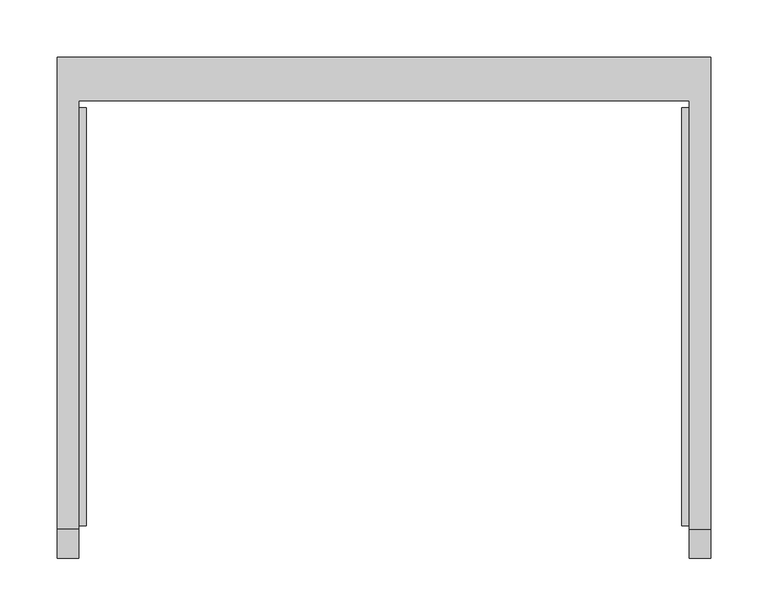
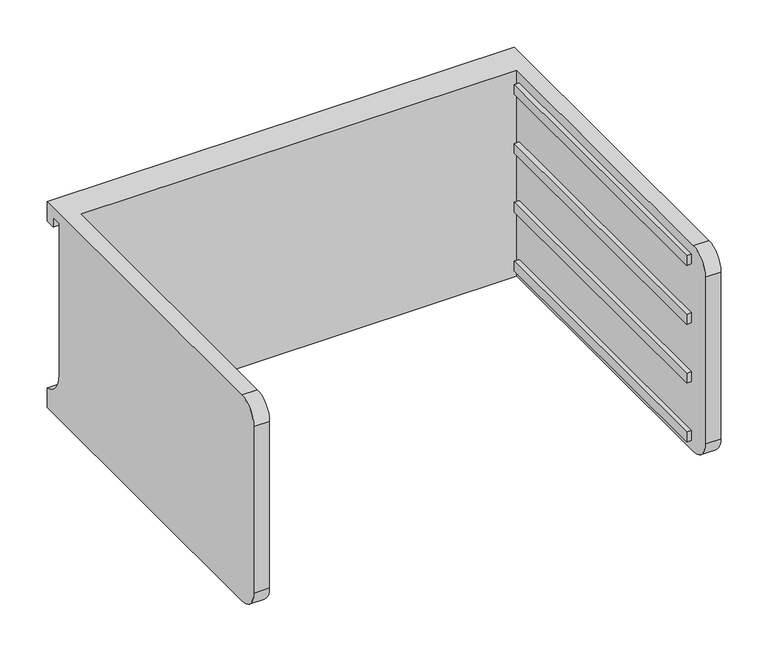
"""IFC4 building model written with IfcOpenShell, lengths in millimetres: furniture geometry."""

from ifc_helpers import new_model, si_unit, frame, origin, place, context, project, spatial, polyline, circle_curve, outline, extrude, source, transform, mapped, element, save
from ifc_brep_helpers import plane_surface, cylinder_surface, revolved_surface, advanced_brep


def furniture_9b316340(model_context):
    return source(origin(), model_context, "Body", "SolidModel", [
        advanced_brep(
        [(-171.7622951, -331.6523397, 791.57322), (-171.7622951, -357.0523397, 766.17322), (-171.7622951, -357.0523397, 550.27322), (-171.7622951, -331.6523397, 524.87322), (-171.7622951, 43.0421197, 524.87322), (-171.7622951, 43.0421197, 791.57322), (-190.8122951, -331.6523397, 524.87322), (-190.8122951, -357.0523397, 550.27322), (-190.8122951, -357.0523397, 766.17322), (-190.8122951, -331.6523397, 791.57322), (-190.8122951, 81.0976603, 791.57322), (-190.8122951, 81.0976603, 766.17322), (-190.8122951, 68.4421197, 766.17322), (-190.8122951, 68.4421197, 778.87322), (-190.8122951, 55.7421197, 778.87322), (-190.8122951, 55.7421197, 582.81824), (-190.8122951, 81.0976603, 550.27322), (-190.8122951, 81.0976603, 524.87322), (380.6877049, 81.0976603, 524.87322), (380.6877049, -331.6523397, 524.87322), (361.6377049, -331.6523397, 524.87322), (361.6377049, 43.0421197, 524.87322), (361.6377049, 43.0421197, 791.57322), (361.6377049, -331.6523397, 791.57322), (380.6877049, -331.6523397, 791.57322), (380.6877049, 81.0976603, 791.57322), (380.6877049, 81.0976603, 550.27322), (380.6877049, 55.7421197, 582.81824), (380.6877049, 55.7421197, 778.87322), (380.6877049, 68.4421197, 778.87322), (380.6877049, 68.4421197, 766.17322), (380.6877049, 81.0976603, 766.17322), (380.6877049, -357.0523397, 766.17322), (380.6877049, -357.0523397, 550.27322), (361.6377049, -357.0523397, 550.27322), (361.6377049, -357.0523397, 766.17322)],
        [
            (0, 1, circle_curve(frame((-171.7622951, -331.6523397, 766.17322), z_axis=(1.0, 0.0, 0.0), x_axis=(0.0, 0.0, 1.0)), 25.4)),
            (1, 2),
            (2, 3, circle_curve(frame((-171.7622951, -331.6523397, 550.27322), z_axis=(1.0, 0.0, 0.0), x_axis=(0.0, 0.0, 1.0)), 25.4)),
            (3, 4),
            (4, 5),
            (5, 0),
            (6, 7, circle_curve(frame((-190.8122951, -331.6523397, 550.27322), z_axis=(-1.0, 0.0, 0.0), x_axis=(0.0, 0.0, 1.0)), 25.4)),
            (7, 8),
            (8, 9, circle_curve(frame((-190.8122951, -331.6523397, 766.17322), z_axis=(-1.0, 0.0, 0.0), x_axis=(0.0, 0.0, 1.0)), 25.4)),
            (9, 10),
            (10, 11),
            (11, 12),
            (12, 13),
            (13, 14),
            (14, 15),
            (15, 16, circle_curve(frame((-190.8122951, 89.3064162, 582.81824), z_axis=(1.0, 0.0, 0.0), x_axis=(0.0, 0.0, 1.0)), 33.5642965)),
            (16, 17),
            (17, 6),
            (0, 9),
            (8, 1),
            (7, 2),
            (6, 3),
            (17, 18),
            (18, 19),
            (19, 20),
            (20, 21),
            (21, 4),
            (5, 22),
            (22, 23),
            (23, 24),
            (24, 25),
            (25, 10),
            (18, 26),
            (26, 27, circle_curve(frame((380.6877049, 89.3064162, 582.81824), z_axis=(-1.0, 0.0, 0.0), x_axis=(0.0, 0.0, 1.0)), 33.5642965)),
            (27, 28),
            (28, 29),
            (29, 30),
            (30, 31),
            (31, 25),
            (24, 32, circle_curve(frame((380.6877049, -331.6523397, 766.17322), z_axis=(1.0, 0.0, 0.0), x_axis=(0.0, 0.0, 1.0)), 25.4)),
            (32, 33),
            (33, 19, circle_curve(frame((380.6877049, -331.6523397, 550.27322), z_axis=(1.0, 0.0, 0.0), x_axis=(0.0, 0.0, 1.0)), 25.4)),
            (16, 26),
            (15, 27),
            (14, 28),
            (13, 29),
            (12, 30),
            (11, 31),
            (21, 22),
            (20, 34, circle_curve(frame((361.6377049, -331.6523397, 550.27322), z_axis=(-1.0, 0.0, 0.0), x_axis=(0.0, 0.0, 1.0)), 25.4)),
            (34, 35),
            (35, 23, circle_curve(frame((361.6377049, -331.6523397, 766.17322), z_axis=(-1.0, 0.0, 0.0), x_axis=(0.0, 0.0, 1.0)), 25.4)),
            (35, 32),
            (34, 33),
        ],
        [
            plane_surface(frame((-171.7622951, -331.6523397, 791.57322), z_axis=(1.0, 0.0, 0.0), x_axis=(0.0, -1.0, 0.0))),
            plane_surface(frame((-190.8122951, -331.6523397, 791.57322), z_axis=(-1.0, 0.0, 0.0), x_axis=(0.0, 1.0, 0.0))),
            cylinder_surface(frame((-190.8122951, -331.6523397, 766.17322), z_axis=(1.0, 0.0, 0.0), x_axis=(0.0, 0.0, 1.0)), 25.4),
            plane_surface(frame((-171.7622951, -357.0523397, 766.17322), z_axis=(0.0, -1.0, 0.0), x_axis=(-1.0, 0.0, 0.0))),
            cylinder_surface(frame((-190.8122951, -331.6523397, 550.27322), z_axis=(1.0, 0.0, 0.0), x_axis=(0.0, 0.0, 1.0)), 25.4),
            plane_surface(frame((-171.7622951, -331.6523397, 524.87322), z_axis=(0.0, 0.0, -1.0), x_axis=(-1.0, 0.0, 0.0))),
            plane_surface(frame((-171.7622951, 43.0421197, 791.57322), z_axis=(0.0, 0.0, 1.0), x_axis=(-1.0, 0.0, 0.0))),
            plane_surface(frame((380.6877049, 81.0976603, 550.27322), z_axis=(1.0, 0.0, 0.0), x_axis=(0.0, 0.0, 1.0))),
            plane_surface(frame((380.6877049, 81.0976603, 524.87322), z_axis=(0.0, 1.0, 0.0), x_axis=(-1.0, 0.0, 0.0))),
            revolved_surface(polyline([(-190.8122951, 89.3064162, 616.3825364999999), (380.68770489999997, 89.3064162, 616.3825364999999)]), (-190.8122951, 89.3064162, 582.81824), (-1.0, 0.0, 0.0)),
            plane_surface(frame((380.6877049, 55.7421197, 582.81824), z_axis=(0.0, 1.0, 0.0), x_axis=(-1.0, 0.0, 0.0))),
            plane_surface(frame((380.6877049, 55.7421197, 778.87322), z_axis=(0.0, 0.0, -1.0), x_axis=(-1.0, 0.0, 0.0))),
            plane_surface(frame((380.6877049, 68.4421197, 778.87322), z_axis=(0.0, -1.0, 0.0), x_axis=(-1.0, 0.0, 0.0))),
            plane_surface(frame((380.6877049, 68.4421197, 766.17322), z_axis=(0.0, 0.0, -1.0), x_axis=(-1.0, 0.0, 0.0))),
            plane_surface(frame((380.6877049, 81.0976603, 766.17322), z_axis=(0.0, 1.0, 0.0), x_axis=(-1.0, 0.0, 0.0))),
            plane_surface(frame((380.6877049, 43.0421197, 791.57322), z_axis=(0.0, -1.0, 0.0), x_axis=(-1.0, 0.0, 0.0))),
            plane_surface(frame((361.6377049, -331.6523397, 791.57322), z_axis=(-1.0, 0.0, 0.0), x_axis=(0.0, 1.0, 0.0))),
            cylinder_surface(frame((361.6377049, -331.6523397, 766.17322), z_axis=(1.0, 0.0, 0.0), x_axis=(0.0, 0.0, 1.0)), 25.4),
            plane_surface(frame((380.6877049, -357.0523397, 766.17322), z_axis=(0.0, -1.0, 0.0), x_axis=(-1.0, 0.0, 0.0))),
            cylinder_surface(frame((361.6377049, -331.6523397, 550.27322), z_axis=(1.0, 0.0, 0.0), x_axis=(0.0, 0.0, 1.0)), 25.4),
        ],
        [
            (0, [[1, 2, 3, 4, 5, 6]]),
            (1, [[7, 8, 9, 10, 11, 12, 13, 14, 15, 16, 17, 18]]),
            (2, [[-1, 19, -9, 20]]),
            (3, [[-2, -20, -8, 21]]),
            (4, [[-3, -21, -7, 22]]),
            (5, [[-4, -22, -18, 23, 24, 25, 26, 27]]),
            (6, [[-6, 28, 29, 30, 31, 32, -10, -19]]),
            (7, [[-24, 33, 34, 35, 36, 37, 38, 39, -31, 40, 41, 42]]),
            (8, [[-33, -23, -17, 43]]),
            (9, [[-34, -43, -16, 44]]),
            (10, [[-35, -44, -15, 45]]),
            (11, [[-36, -45, -14, 46]]),
            (12, [[-37, -46, -13, 47]]),
            (13, [[-38, -47, -12, 48]]),
            (14, [[-39, -48, -11, -32]]),
            (15, [[-5, -27, 49, -28]]),
            (16, [[-29, -49, -26, 50, 51, 52]]),
            (17, [[-40, -30, -52, 53]]),
            (18, [[-41, -53, -51, 54]]),
            (19, [[-42, -54, -50, -25]]),
        ],
    ),
        extrude(outline(polyline([(355.2877049, -328.4773397), (355.2877049, 36.6921197), (361.6377049, 36.6921197), (361.6377049, -328.4773397), (355.2877049, -328.4773397)])), frame((0.0, 0.0, 613.77322), z_axis=(0.0, 0.0, 1.0), x_axis=(1.0, 0.0, 0.0)), (0.0, 0.0, 1.0), 12.7),
        extrude(outline(polyline([(355.2877049, -328.4773397), (355.2877049, 36.6921197), (361.6377049, 36.6921197), (361.6377049, -328.4773397), (355.2877049, -328.4773397)])), frame((0.0, 0.0, 689.97322), z_axis=(0.0, 0.0, 1.0), x_axis=(1.0, 0.0, 0.0)), (0.0, 0.0, 1.0), 12.7),
        extrude(outline(polyline([(355.2877049, -328.4773397), (355.2877049, 36.6921197), (361.6377049, 36.6921197), (361.6377049, -328.4773397), (355.2877049, -328.4773397)])), frame((0.0, 0.0, 766.17322), z_axis=(0.0, 0.0, 1.0), x_axis=(1.0, 0.0, 0.0)), (0.0, 0.0, 1.0), 12.7),
        extrude(outline(polyline([(355.2877049, -328.4773397), (355.2877049, 36.6921197), (361.6377049, 36.6921197), (361.6377049, -328.4773397), (355.2877049, -328.4773397)])), frame((0.0, 0.0, 537.57322), z_axis=(0.0, 0.0, 1.0), x_axis=(1.0, 0.0, 0.0)), (0.0, 0.0, 1.0), 12.7),
        extrude(outline(polyline([(-171.7622951, -328.4773397), (-171.7622951, 36.6921197), (-165.4122951, 36.6921197), (-165.4122951, -328.4773397), (-171.7622951, -328.4773397)])), frame((0.0, 0.0, 613.77322), z_axis=(0.0, 0.0, 1.0), x_axis=(1.0, 0.0, 0.0)), (0.0, 0.0, 1.0), 12.7),
        extrude(outline(polyline([(-171.7622951, -328.4773397), (-171.7622951, 36.6921197), (-165.4122951, 36.6921197), (-165.4122951, -328.4773397), (-171.7622951, -328.4773397)])), frame((0.0, 0.0, 689.97322), z_axis=(0.0, 0.0, 1.0), x_axis=(1.0, 0.0, 0.0)), (0.0, 0.0, 1.0), 12.7),
        extrude(outline(polyline([(-171.7622951, -328.4773397), (-171.7622951, 36.6921197), (-165.4122951, 36.6921197), (-165.4122951, -328.4773397), (-171.7622951, -328.4773397)])), frame((0.0, 0.0, 766.17322), z_axis=(0.0, 0.0, 1.0), x_axis=(1.0, 0.0, 0.0)), (0.0, 0.0, 1.0), 12.7),
        extrude(outline(polyline([(-171.7622951, -328.4773397), (-171.7622951, 36.6921197), (-165.4122951, 36.6921197), (-165.4122951, -328.4773397), (-171.7622951, -328.4773397)])), frame((0.0, 0.0, 537.57322), z_axis=(0.0, 0.0, 1.0), x_axis=(1.0, 0.0, 0.0)), (0.0, 0.0, 1.0), 12.7),
    ])


if __name__ == "__main__":
    model = new_model("IFC4")
    model_context = context("Model", 3, world=origin())
    ifc_project = project(units=[si_unit("LENGTHUNIT", "METRE", prefix="MILLI")], contexts=[model_context])
    site = spatial("IfcSite", under=ifc_project)
    building = spatial("IfcBuilding", under=site)
    placement = place(None, origin())
    furniture_shape = furniture_9b316340(model_context)
    element("IfcFurniture", 1, at=placement, inside=building, context=model_context, shape_type="MappedRepresentation", body=[
        mapped(furniture_shape, transform((0.0, 0.0, 0.0), x_axis=(1.0, 0.0, 0.0), y_axis=(0.0, 1.0, 0.0), z_axis=(0.0, 0.0, 1.0))),
    ])
    save(model, "model.ifc")
